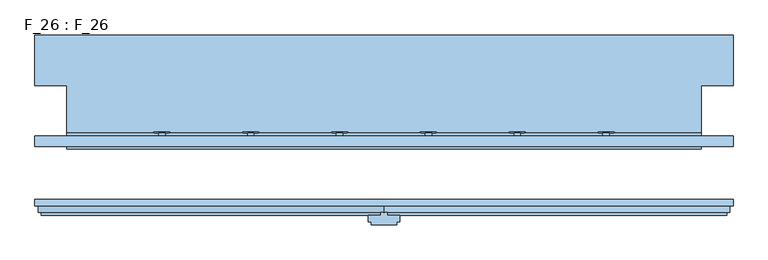
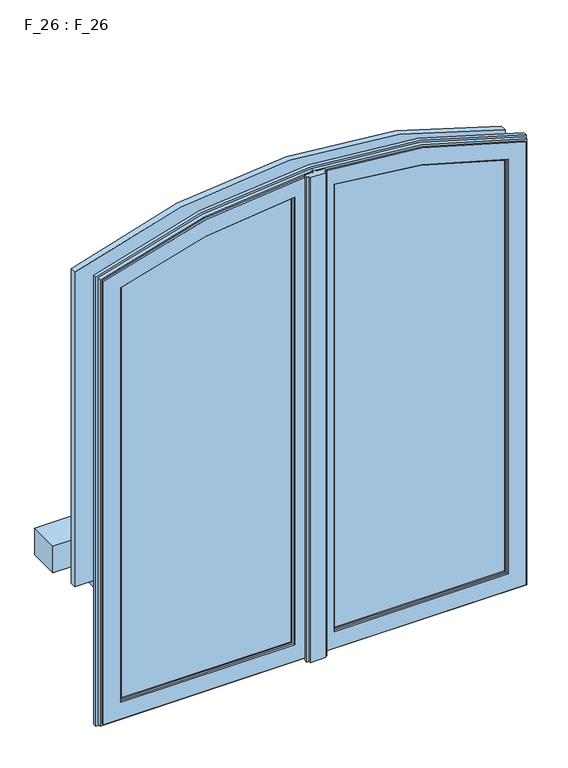
"""IFC4 building model written with IfcOpenShell, lengths in millimetres: window geometry, F_26 : F_26."""

from ifc_helpers import new_model, si_unit, point, frame, frame_2d, origin, place, context, project, spatial, polyline, circle_curve, trimmed, segment, composite_curve, outline, extrude, source, transform, mapped, element, save
from ifc_brep_helpers import plane_surface, cylinder_surface, revolved_surface, advanced_brep


def f_26_f_26_0ff524cd(model_context):
    return source(origin(), model_context, "Body", "SolidModel", [
        extrude(outline(composite_curve([segment(trimmed(circle_curve(frame_2d((742.432857, 0.0)), 1417.2222222), [point((2158.5874485, -55.0))], [point((2072.2519526, -490.0))], False, "CARTESIAN"), True, "CONTINUOUS"), segment(polyline([(2072.2519526, -490.0), (960.0, -490.0), (960.0, -55.0), (2158.5874485, -55.0)]), True, "CONTINUOUS")], self_intersect=False)), frame((0.0, 93.0, 0.0), z_axis=(0.0, 1.0, 0.0), x_axis=(0.0, 0.0, 1.0)), (0.0, 0.0, 1.0), 4.0),
        advanced_brep(
        [(-50.0, 100.0, 2163.7759012), (-50.0, 105.0, 2163.7759012), (-50.0, 105.0, 955.0), (-50.0, 100.0, 955.0), (-10.0, 105.0, 915.0), (-535.0, 105.0, 915.0), (-535.0, 105.0, 2103.266729), (-10.0, 105.0, 2204.6208843), (-495.0, 105.0, 2075.7336668), (-495.0, 105.0, 955.0), (-495.0, 100.0, 955.0), (-495.0, 100.0, 2075.7336668), (-55.0, 100.0, 2158.5874485), (-490.0, 100.0, 2072.2519526), (-490.0, 100.0, 960.0), (-55.0, 100.0, 960.0), (-55.0, 90.0, 2158.5874485), (-55.0, 90.0, 960.0), (-490.0, 90.0, 960.0), (-50.0, 90.0, 2163.7759012), (-495.0, 90.0, 2075.7336668), (-495.0, 90.0, 955.0), (-50.0, 90.0, 955.0), (-490.0, 90.0, 2072.2519526), (-50.0, 85.0, 2163.7759012), (-50.0, 85.0, 955.0), (-495.0, 85.0, 955.0), (-5.0, 85.0, 2209.6465597), (-540.0, 85.0, 2106.6692916), (-540.0, 85.0, 910.0), (-5.0, 85.0, 910.0), (-495.0, 85.0, 2075.7336668), (-5.0, 90.0, 2209.6465597), (-5.0, 90.0, 910.0), (-540.0, 90.0, 910.0), (0.0, 90.0, 2214.6550792), (-545.0, 90.0, 2110.0633888), (-545.0, 90.0, 905.0), (0.0, 90.0, 905.0), (-540.0, 90.0, 2106.6692916), (0.0, 100.0, 2214.6550792), (0.0, 100.0, 905.0), (-545.0, 100.0, 905.0), (-545.0, 100.0, 2110.0633888), (-10.0, 100.0, 2204.6208843), (-535.0, 100.0, 2103.266729), (-535.0, 100.0, 915.0), (-10.0, 100.0, 915.0)],
        [
            (0, 1),
            (1, 2),
            (2, 3),
            (3, 0),
            (4, 5),
            (5, 6),
            (6, 7, circle_curve(frame((0.0, 105.0, 742.432857), z_axis=(0.0, 1.0, 0.0), x_axis=(-0.3615149196633371, 0.0, 0.9323663243923018)), 1462.2222222)),
            (7, 4),
            (1, 8, circle_curve(frame((0.0, 105.0, 742.432857), z_axis=(0.0, -1.0, 0.0), x_axis=(-0.3615149196633371, 0.0, 0.9323663243923018)), 1422.2222222)),
            (8, 9),
            (9, 2),
            (9, 10),
            (10, 3),
            (10, 11),
            (11, 0, circle_curve(frame((0.0, 100.0, 742.432857), z_axis=(0.0, 1.0, 0.0), x_axis=(-0.3615149196633371, 0.0, 0.9323663243923018)), 1422.2222222)),
            (12, 13, circle_curve(frame((0.0, 100.0, 742.432857), z_axis=(0.0, -1.0, 0.0), x_axis=(-0.3615149196633371, 0.0, 0.9323663243923018)), 1417.2222222)),
            (13, 14),
            (14, 15),
            (15, 12),
            (16, 12),
            (15, 17),
            (17, 16),
            (14, 18),
            (18, 17),
            (19, 20, circle_curve(frame((0.0, 90.0, 742.432857), z_axis=(0.0, -1.0, 0.0), x_axis=(-0.3615149196633371, 0.0, 0.9323663243923018)), 1422.2222222)),
            (20, 21),
            (21, 22),
            (22, 19),
            (18, 23),
            (23, 16, circle_curve(frame((0.0, 90.0, 742.432857), z_axis=(0.0, 1.0, 0.0), x_axis=(-0.3615149196633371, 0.0, 0.9323663243923018)), 1417.2222222)),
            (24, 19),
            (22, 25),
            (25, 24),
            (21, 26),
            (26, 25),
            (27, 28, circle_curve(frame((0.0, 85.0, 742.432857), z_axis=(0.0, -1.0, 0.0), x_axis=(-0.3615149196633371, 0.0, 0.9323663243923018)), 1467.2222222)),
            (28, 29),
            (29, 30),
            (30, 27),
            (26, 31),
            (31, 24, circle_curve(frame((0.0, 85.0, 742.432857), z_axis=(0.0, 1.0, 0.0), x_axis=(-0.3615149196633371, 0.0, 0.9323663243923018)), 1422.2222222)),
            (32, 27),
            (30, 33),
            (33, 32),
            (29, 34),
            (34, 33),
            (35, 36, circle_curve(frame((0.0, 90.0, 742.432857), z_axis=(0.0, -1.0, 0.0), x_axis=(-0.3615149196633371, 0.0, 0.9323663243923018)), 1472.2222222)),
            (36, 37),
            (37, 38),
            (38, 35),
            (34, 39),
            (39, 32, circle_curve(frame((0.0, 90.0, 742.432857), z_axis=(0.0, 1.0, 0.0), x_axis=(-0.3615149196633371, 0.0, 0.9323663243923018)), 1467.2222222)),
            (40, 35),
            (38, 41),
            (41, 40),
            (37, 42),
            (42, 41),
            (42, 43),
            (43, 40, circle_curve(frame((0.0, 100.0, 742.432857), z_axis=(0.0, 1.0, 0.0), x_axis=(-0.3615149196633371, 0.0, 0.9323663243923018)), 1472.2222222)),
            (44, 45, circle_curve(frame((0.0, 100.0, 742.432857), z_axis=(0.0, -1.0, 0.0), x_axis=(-0.3615149196633371, 0.0, 0.9323663243923018)), 1462.2222222)),
            (45, 46),
            (46, 47),
            (47, 44),
            (7, 44),
            (47, 4),
            (46, 5),
            (8, 11),
            (13, 23),
            (20, 31),
            (28, 39),
            (36, 43),
            (45, 6),
        ],
        [
            plane_surface(frame((-50.0, 105.0, 2163.7759012), z_axis=(-1.0, 0.0, 0.0), x_axis=(0.0, 0.0, -1.0))),
            plane_surface(frame((0.0, 105.0, 742.432857), z_axis=(0.0, 1.0, 0.0), x_axis=(-0.3615149196633371, 0.0, 0.9323663243923018))),
            plane_surface(frame((-50.0, 105.0, 955.0), z_axis=(0.0, 0.0, 1.0), x_axis=(-1.0, 0.0, 0.0))),
            plane_surface(frame((0.0, 100.0, 742.432857), z_axis=(0.0, 1.0, 0.0), x_axis=(-0.3615149196633371, 0.0, 0.9323663243923018))),
            plane_surface(frame((-55.0, 100.0, 2158.5874485), z_axis=(-1.0, 0.0, 0.0), x_axis=(0.0, 0.0, -1.0))),
            plane_surface(frame((-55.0, 100.0, 960.0), z_axis=(0.0, 0.0, 1.0), x_axis=(-1.0, 0.0, 0.0))),
            plane_surface(frame((0.0, 90.0, 742.432857), z_axis=(0.0, -1.0, 0.0), x_axis=(-0.3615149196633371, 0.0, 0.9323663243923018))),
            plane_surface(frame((-50.0, 90.0, 2163.7759012), z_axis=(-1.0, 0.0, 0.0), x_axis=(0.0, 0.0, -1.0))),
            plane_surface(frame((-50.0, 90.0, 955.0), z_axis=(0.0, 0.0, 1.0), x_axis=(-1.0, 0.0, 0.0))),
            plane_surface(frame((0.0, 85.0, 742.432857), z_axis=(0.0, -1.0, 0.0), x_axis=(-0.3615149196633371, 0.0, 0.9323663243923018))),
            plane_surface(frame((-5.0, 85.0, 2209.6465597), z_axis=(1.0, 0.0, 0.0), x_axis=(0.0, 0.0, -1.0))),
            plane_surface(frame((-5.0, 85.0, 910.0), z_axis=(0.0, 0.0, -1.0), x_axis=(-1.0, 0.0, 0.0))),
            plane_surface(frame((0.0, 90.0, 2214.6550792), z_axis=(1.0, 0.0, 0.0), x_axis=(0.0, 0.0, -1.0))),
            plane_surface(frame((0.0, 90.0, 905.0), z_axis=(0.0, 0.0, -1.0), x_axis=(-1.0, 0.0, 0.0))),
            plane_surface(frame((-10.0, 100.0, 2204.6208843), z_axis=(1.0, 0.0, 0.0), x_axis=(0.0, 0.0, -1.0))),
            plane_surface(frame((-10.0, 100.0, 915.0), z_axis=(0.0, 0.0, -1.0), x_axis=(-1.0, 0.0, 0.0))),
            plane_surface(frame((-495.0, 105.0, 955.0), z_axis=(1.0, 0.0, 0.0), x_axis=(0.0, 0.0, 1.0))),
            plane_surface(frame((-490.0, 100.0, 960.0), z_axis=(1.0, 0.0, 0.0), x_axis=(0.0, 0.0, 1.0))),
            plane_surface(frame((-495.0, 90.0, 955.0), z_axis=(1.0, 0.0, 0.0), x_axis=(0.0, 0.0, 1.0))),
            plane_surface(frame((-540.0, 85.0, 910.0), z_axis=(-1.0, 0.0, 0.0), x_axis=(0.0, 0.0, 1.0))),
            plane_surface(frame((-545.0, 90.0, 905.0), z_axis=(-1.0, 0.0, 0.0), x_axis=(0.0, 0.0, 1.0))),
            plane_surface(frame((-535.0, 100.0, 915.0), z_axis=(-1.0, 0.0, 0.0), x_axis=(0.0, 0.0, 1.0))),
            cylinder_surface(frame((0.0, -100.0, 742.432857), z_axis=(0.0, 1.0, 0.0), x_axis=(-0.3615149196633371, 0.0, 0.9323663243923018)), 1462.2222222),
            cylinder_surface(frame((0.0, -100.0, 742.432857), z_axis=(0.0, 1.0, 0.0), x_axis=(-0.3615149196633371, 0.0, 0.9323663243923018)), 1472.2222222),
            cylinder_surface(frame((0.0, -100.0, 742.432857), z_axis=(0.0, 1.0, 0.0), x_axis=(-0.3615149196633371, 0.0, 0.9323663243923018)), 1467.2222222),
            revolved_surface(polyline([(-514.1545524020457, 90.0, 2068.4649627816657), (-514.1545524020457, 85.0, 2068.4649627816657)]), (0.0, -100.0, 742.432857), (0.0, 1.0, 0.0)),
            revolved_surface(polyline([(-512.346977803729, 100.0, 2063.803131159704), (-512.346977803729, 90.0, 2063.803131159704)]), (0.0, -100.0, 742.432857), (0.0, 1.0, 0.0)),
            revolved_surface(polyline([(-514.1545524020457, 105.0, 2068.4649627816657), (-514.1545524020457, 100.0, 2068.4649627816657)]), (0.0, -100.0, 742.432857), (0.0, 1.0, 0.0)),
        ],
        [
            (0, [[1, 2, 3, 4]]),
            (1, [[5, 6, 7, 8], [9, 10, 11, -2]]),
            (2, [[-3, -11, 12, 13]]),
            (3, [[-13, 14, 15, -4], [16, 17, 18, 19]]),
            (4, [[20, -19, 21, 22]]),
            (5, [[-21, -18, 23, 24]]),
            (6, [[25, 26, 27, 28], [-24, 29, 30, -22]]),
            (7, [[31, -28, 32, 33]]),
            (8, [[-32, -27, 34, 35]]),
            (9, [[36, 37, 38, 39], [-35, 40, 41, -33]]),
            (10, [[42, -39, 43, 44]]),
            (11, [[-43, -38, 45, 46]]),
            (6, [[47, 48, 49, 50], [-46, 51, 52, -44]]),
            (12, [[53, -50, 54, 55]]),
            (13, [[-54, -49, 56, 57]]),
            (3, [[-57, 58, 59, -55], [60, 61, 62, 63]]),
            (14, [[64, -63, 65, -8]]),
            (15, [[-65, -62, 66, -5]]),
            (16, [[-12, -10, 67, -14]]),
            (17, [[-23, -17, 68, -29]]),
            (18, [[-34, -26, 69, -40]]),
            (19, [[-45, -37, 70, -51]]),
            (20, [[-56, -48, 71, -58]]),
            (21, [[-66, -61, 72, -6]]),
            (22, [[-7, -72, -60, -64]]),
            (23, [[-59, -71, -47, -53]]),
            (24, [[-52, -70, -36, -42]]),
            (25, [[-41, -69, -25, -31]]),
            (26, [[-30, -68, -16, -20]]),
            (27, [[-15, -67, -9, -1]]),
        ],
    ),
        extrude(outline(composite_curve([segment(polyline([(2158.5874485, 55.0), (960.0, 55.0), (960.0, 490.0), (2072.2519526, 490.0)]), True, "CONTINUOUS"), segment(trimmed(circle_curve(frame_2d((742.432857, 0.0)), 1417.2222222), [point((2072.2519526, 490.0))], [point((2158.5874485, 55.0))], False, "CARTESIAN"), True, "CONTINUOUS")], self_intersect=False)), frame((0.0, 93.0, 0.0), z_axis=(0.0, 1.0, 0.0), x_axis=(0.0, 0.0, 1.0)), (0.0, 0.0, 1.0), 4.0),
        advanced_brep(
        [(50.0, 105.0, 2163.7759012), (50.0, 100.0, 2163.7759012), (50.0, 100.0, 955.0), (50.0, 105.0, 955.0), (495.0, 100.0, 2075.7336668), (495.0, 100.0, 955.0), (55.0, 100.0, 960.0), (490.0, 100.0, 960.0), (490.0, 100.0, 2072.2519526), (55.0, 100.0, 2158.5874485), (495.0, 105.0, 955.0), (10.0, 105.0, 2204.6208843), (535.0, 105.0, 2103.266729), (535.0, 105.0, 915.0), (10.0, 105.0, 915.0), (495.0, 105.0, 2075.7336668), (55.0, 90.0, 2158.5874485), (55.0, 90.0, 960.0), (50.0, 90.0, 955.0), (495.0, 90.0, 955.0), (495.0, 90.0, 2075.7336668), (50.0, 90.0, 2163.7759012), (490.0, 90.0, 2072.2519526), (490.0, 90.0, 960.0), (50.0, 85.0, 2163.7759012), (50.0, 85.0, 955.0), (5.0, 85.0, 910.0), (540.0, 85.0, 910.0), (540.0, 85.0, 2106.6692916), (5.0, 85.0, 2209.6465597), (495.0, 85.0, 2075.7336668), (495.0, 85.0, 955.0), (5.0, 90.0, 2209.6465597), (5.0, 90.0, 910.0), (0.0, 90.0, 905.0), (545.0, 90.0, 905.0), (545.0, 90.0, 2110.0633888), (0.0, 90.0, 2214.6550792), (540.0, 90.0, 2106.6692916), (540.0, 90.0, 910.0), (0.0, 100.0, 2214.6550792), (0.0, 100.0, 905.0), (545.0, 100.0, 2110.0633888), (545.0, 100.0, 905.0), (10.0, 100.0, 915.0), (535.0, 100.0, 915.0), (535.0, 100.0, 2103.266729), (10.0, 100.0, 2204.6208843)],
        [
            (0, 1),
            (1, 2),
            (2, 3),
            (3, 0),
            (1, 4, circle_curve(frame((0.0, 100.0, 742.432857), z_axis=(0.0, 1.0, 0.0), x_axis=(0.3615149196633371, 0.0, 0.9323663243923018)), 1422.2222222)),
            (4, 5),
            (5, 2),
            (6, 7),
            (7, 8),
            (8, 9, circle_curve(frame((0.0, 100.0, 742.432857), z_axis=(0.0, -1.0, 0.0), x_axis=(0.3615149196633371, 0.0, 0.9323663243923018)), 1417.2222222)),
            (9, 6),
            (5, 10),
            (10, 3),
            (11, 12, circle_curve(frame((0.0, 105.0, 742.432857), z_axis=(0.0, 1.0, 0.0), x_axis=(0.3615149196633371, 0.0, 0.9323663243923018)), 1462.2222222)),
            (12, 13),
            (13, 14),
            (14, 11),
            (10, 15),
            (15, 0, circle_curve(frame((0.0, 105.0, 742.432857), z_axis=(0.0, -1.0, 0.0), x_axis=(0.3615149196633371, 0.0, 0.9323663243923018)), 1422.2222222)),
            (9, 16),
            (16, 17),
            (17, 6),
            (18, 19),
            (19, 20),
            (20, 21, circle_curve(frame((0.0, 90.0, 742.432857), z_axis=(0.0, -1.0, 0.0), x_axis=(0.3615149196633371, 0.0, 0.9323663243923018)), 1422.2222222)),
            (21, 18),
            (16, 22, circle_curve(frame((0.0, 90.0, 742.432857), z_axis=(0.0, 1.0, 0.0), x_axis=(0.3615149196633371, 0.0, 0.9323663243923018)), 1417.2222222)),
            (22, 23),
            (23, 17),
            (23, 7),
            (21, 24),
            (24, 25),
            (25, 18),
            (26, 27),
            (27, 28),
            (28, 29, circle_curve(frame((0.0, 85.0, 742.432857), z_axis=(0.0, -1.0, 0.0), x_axis=(0.3615149196633371, 0.0, 0.9323663243923018)), 1467.2222222)),
            (29, 26),
            (24, 30, circle_curve(frame((0.0, 85.0, 742.432857), z_axis=(0.0, 1.0, 0.0), x_axis=(0.3615149196633371, 0.0, 0.9323663243923018)), 1422.2222222)),
            (30, 31),
            (31, 25),
            (31, 19),
            (29, 32),
            (32, 33),
            (33, 26),
            (34, 35),
            (35, 36),
            (36, 37, circle_curve(frame((0.0, 90.0, 742.432857), z_axis=(0.0, -1.0, 0.0), x_axis=(0.3615149196633371, 0.0, 0.9323663243923018)), 1472.2222222)),
            (37, 34),
            (32, 38, circle_curve(frame((0.0, 90.0, 742.432857), z_axis=(0.0, 1.0, 0.0), x_axis=(0.3615149196633371, 0.0, 0.9323663243923018)), 1467.2222222)),
            (38, 39),
            (39, 33),
            (39, 27),
            (37, 40),
            (40, 41),
            (41, 34),
            (40, 42, circle_curve(frame((0.0, 100.0, 742.432857), z_axis=(0.0, 1.0, 0.0), x_axis=(0.3615149196633371, 0.0, 0.9323663243923018)), 1472.2222222)),
            (42, 43),
            (43, 41),
            (44, 45),
            (45, 46),
            (46, 47, circle_curve(frame((0.0, 100.0, 742.432857), z_axis=(0.0, -1.0, 0.0), x_axis=(0.3615149196633371, 0.0, 0.9323663243923018)), 1462.2222222)),
            (47, 44),
            (43, 35),
            (47, 11),
            (14, 44),
            (13, 45),
            (4, 15),
            (22, 8),
            (30, 20),
            (38, 28),
            (42, 36),
            (12, 46),
        ],
        [
            plane_surface(frame((50.0, 100.0, 2163.7759012), z_axis=(1.0, 0.0, 0.0), x_axis=(0.0, 0.0, -1.0))),
            plane_surface(frame((0.0, 100.0, 742.432857), z_axis=(0.0, 1.0, 0.0), x_axis=(0.3615149196633371, 0.0, 0.9323663243923018))),
            plane_surface(frame((50.0, 100.0, 955.0), z_axis=(0.0, 0.0, 1.0), x_axis=(1.0, 0.0, 0.0))),
            plane_surface(frame((0.0, 105.0, 742.432857), z_axis=(0.0, 1.0, 0.0), x_axis=(0.3615149196633371, 0.0, 0.9323663243923018))),
            plane_surface(frame((55.0, 90.0, 2158.5874485), z_axis=(1.0, 0.0, 0.0), x_axis=(0.0, 0.0, -1.0))),
            plane_surface(frame((0.0, 90.0, 742.432857), z_axis=(0.0, -1.0, 0.0), x_axis=(0.3615149196633371, 0.0, 0.9323663243923018))),
            plane_surface(frame((55.0, 90.0, 960.0), z_axis=(0.0, 0.0, 1.0), x_axis=(1.0, 0.0, 0.0))),
            plane_surface(frame((50.0, 85.0, 2163.7759012), z_axis=(1.0, 0.0, 0.0), x_axis=(0.0, 0.0, -1.0))),
            plane_surface(frame((0.0, 85.0, 742.432857), z_axis=(0.0, -1.0, 0.0), x_axis=(0.3615149196633371, 0.0, 0.9323663243923018))),
            plane_surface(frame((50.0, 85.0, 955.0), z_axis=(0.0, 0.0, 1.0), x_axis=(1.0, 0.0, 0.0))),
            plane_surface(frame((5.0, 90.0, 2209.6465597), z_axis=(-1.0, 0.0, 0.0), x_axis=(0.0, 0.0, -1.0))),
            plane_surface(frame((5.0, 90.0, 910.0), z_axis=(0.0, 0.0, -1.0), x_axis=(1.0, 0.0, 0.0))),
            plane_surface(frame((0.0, 100.0, 2214.6550792), z_axis=(-1.0, 0.0, 0.0), x_axis=(0.0, 0.0, -1.0))),
            plane_surface(frame((0.0, 100.0, 905.0), z_axis=(0.0, 0.0, -1.0), x_axis=(1.0, 0.0, 0.0))),
            plane_surface(frame((10.0, 105.0, 2204.6208843), z_axis=(-1.0, 0.0, 0.0), x_axis=(0.0, 0.0, -1.0))),
            plane_surface(frame((10.0, 105.0, 915.0), z_axis=(0.0, 0.0, -1.0), x_axis=(1.0, 0.0, 0.0))),
            plane_surface(frame((495.0, 100.0, 955.0), z_axis=(-1.0, 0.0, 0.0), x_axis=(0.0, 0.0, 1.0))),
            plane_surface(frame((490.0, 90.0, 960.0), z_axis=(-1.0, 0.0, 0.0), x_axis=(0.0, 0.0, 1.0))),
            plane_surface(frame((495.0, 85.0, 955.0), z_axis=(-1.0, 0.0, 0.0), x_axis=(0.0, 0.0, 1.0))),
            plane_surface(frame((540.0, 90.0, 910.0), z_axis=(1.0, 0.0, 0.0), x_axis=(0.0, 0.0, 1.0))),
            plane_surface(frame((545.0, 100.0, 905.0), z_axis=(1.0, 0.0, 0.0), x_axis=(0.0, 0.0, 1.0))),
            plane_surface(frame((535.0, 105.0, 915.0), z_axis=(1.0, 0.0, 0.0), x_axis=(0.0, 0.0, 1.0))),
            cylinder_surface(frame((0.0, -100.0, 742.432857), z_axis=(0.0, -1.0, 0.0), x_axis=(0.3615149196633371, 0.0, 0.9323663243923018)), 1462.2222222),
            cylinder_surface(frame((0.0, -100.0, 742.432857), z_axis=(0.0, -1.0, 0.0), x_axis=(0.3615149196633371, 0.0, 0.9323663243923018)), 1472.2222222),
            cylinder_surface(frame((0.0, -100.0, 742.432857), z_axis=(0.0, -1.0, 0.0), x_axis=(0.3615149196633371, 0.0, 0.9323663243923018)), 1467.2222222),
            revolved_surface(polyline([(514.1545524020457, 85.0, 2068.4649627816657), (514.1545524020457, 90.0, 2068.4649627816657)]), (0.0, -100.0, 742.432857), (0.0, -1.0, 0.0)),
            revolved_surface(polyline([(512.346977803729, 90.0, 2063.803131159704), (512.346977803729, 100.0, 2063.803131159704)]), (0.0, -100.0, 742.432857), (0.0, -1.0, 0.0)),
            revolved_surface(polyline([(514.1545524020457, 100.0, 2068.4649627816657), (514.1545524020457, 105.0, 2068.4649627816657)]), (0.0, -100.0, 742.432857), (0.0, -1.0, 0.0)),
        ],
        [
            (0, [[1, 2, 3, 4]]),
            (1, [[5, 6, 7, -2], [8, 9, 10, 11]]),
            (2, [[-3, -7, 12, 13]]),
            (3, [[14, 15, 16, 17], [-13, 18, 19, -4]]),
            (4, [[20, 21, 22, -11]]),
            (5, [[23, 24, 25, 26], [27, 28, 29, -21]]),
            (6, [[-22, -29, 30, -8]]),
            (7, [[31, 32, 33, -26]]),
            (8, [[34, 35, 36, 37], [38, 39, 40, -32]]),
            (9, [[-33, -40, 41, -23]]),
            (10, [[42, 43, 44, -37]]),
            (5, [[45, 46, 47, 48], [49, 50, 51, -43]]),
            (11, [[-44, -51, 52, -34]]),
            (12, [[53, 54, 55, -48]]),
            (1, [[56, 57, 58, -54], [59, 60, 61, 62]]),
            (13, [[-55, -58, 63, -45]]),
            (14, [[64, -17, 65, -62]]),
            (15, [[-65, -16, 66, -59]]),
            (16, [[-12, -6, 67, -18]]),
            (17, [[-30, -28, 68, -9]]),
            (18, [[-41, -39, 69, -24]]),
            (19, [[-52, -50, 70, -35]]),
            (20, [[-63, -57, 71, -46]]),
            (21, [[-66, -15, 72, -60]]),
            (22, [[-61, -72, -14, -64]]),
            (23, [[-47, -71, -56, -53]]),
            (24, [[-36, -70, -49, -42]]),
            (25, [[-25, -69, -38, -31]]),
            (26, [[-10, -68, -27, -20]]),
            (27, [[-19, -67, -5, -1]]),
        ],
    ),
        advanced_brep(
        [(-535.0, 105.0, 915.0), (-535.0, 100.0, 915.0), (535.0, 100.0, 915.0), (535.0, 105.0, 915.0), (535.0, 100.0, 2103.266729), (535.0, 105.0, 2103.266729), (-550.0, 100.0, 2113.4490837), (-550.0, 100.0, 900.0), (550.0, 100.0, 900.0), (550.0, 100.0, 2113.4490837), (-535.0, 100.0, 2103.266729), (-535.0, 105.0, 2103.266729), (-530.0, 105.0, 2099.8556375), (530.0, 105.0, 2099.8556375), (530.0, 105.0, 920.0), (-530.0, 105.0, 920.0), (-530.0, 110.0, 920.0), (530.0, 110.0, 920.0), (530.0, 110.0, 2099.8556375), (-550.0, 110.0, 2113.4490837), (550.0, 110.0, 2113.4490837), (550.0, 110.0, 900.0), (-550.0, 110.0, 900.0), (-530.0, 110.0, 2099.8556375)],
        [
            (0, 1),
            (1, 2),
            (2, 3),
            (3, 0),
            (2, 4),
            (4, 5),
            (5, 3),
            (6, 7),
            (7, 8),
            (8, 9),
            (9, 6, circle_curve(frame((0.0, 100.0, 742.432857), z_axis=(0.0, -1.0, 0.0), x_axis=(0.37232042121096776, 0.0, 0.9281042527374215)), 1477.2222222)),
            (10, 4, circle_curve(frame((0.0, 100.0, 742.432857), z_axis=(0.0, 1.0, 0.0), x_axis=(0.37232042121096776, 0.0, 0.9281042527374215)), 1462.2222222)),
            (1, 10),
            (11, 0),
            (5, 11, circle_curve(frame((0.0, 105.0, 742.432857), z_axis=(0.0, -1.0, 0.0), x_axis=(0.37232042121096776, 0.0, 0.9281042527374215)), 1462.2222222)),
            (12, 13, circle_curve(frame((0.0, 105.0, 742.432857), z_axis=(0.0, 1.0, 0.0), x_axis=(0.37232042121096776, 0.0, 0.9281042527374215)), 1457.2222222)),
            (13, 14),
            (14, 15),
            (15, 12),
            (16, 15),
            (14, 17),
            (17, 16),
            (13, 18),
            (18, 17),
            (19, 20, circle_curve(frame((0.0, 110.0, 742.432857), z_axis=(0.0, 1.0, 0.0), x_axis=(0.37232042121096776, 0.0, 0.9281042527374215)), 1477.2222222)),
            (20, 21),
            (21, 22),
            (22, 19),
            (23, 16),
            (18, 23, circle_curve(frame((0.0, 110.0, 742.432857), z_axis=(0.0, -1.0, 0.0), x_axis=(0.37232042121096776, 0.0, 0.9281042527374215)), 1457.2222222)),
            (7, 22),
            (21, 8),
            (20, 9),
            (11, 10),
            (23, 12),
            (6, 19),
        ],
        [
            plane_surface(frame((-535.0, 100.0, 915.0), z_axis=(0.0, 0.0, 1.0), x_axis=(1.0, 0.0, 0.0))),
            plane_surface(frame((535.0, 100.0, 915.0), z_axis=(-1.0, 0.0, 0.0), x_axis=(0.0, 0.0, 1.0))),
            plane_surface(frame((0.0, 100.0, 742.432857), z_axis=(0.0, -1.0000000000000002, 0.0), x_axis=(0.3723204212109678, 0.0, 0.9281042527374216))),
            plane_surface(frame((0.0, 105.0, 742.432857), z_axis=(0.0, -1.0000000000000002, 0.0), x_axis=(0.3723204212109678, 0.0, 0.9281042527374216))),
            plane_surface(frame((-530.0, 105.0, 920.0), z_axis=(0.0, 0.0, 1.0), x_axis=(1.0, 0.0, 0.0))),
            plane_surface(frame((530.0, 105.0, 920.0), z_axis=(-1.0, 0.0, 0.0), x_axis=(0.0, 0.0, 1.0))),
            plane_surface(frame((0.0, 110.0, 742.432857), z_axis=(0.0, 1.0000000000000002, 0.0), x_axis=(0.3723204212109678, 0.0, 0.9281042527374216))),
            plane_surface(frame((-550.0, 110.0, 900.0), z_axis=(0.0, 0.0, -1.0), x_axis=(1.0, 0.0, 0.0))),
            plane_surface(frame((550.0, 110.0, 900.0), z_axis=(1.0, 0.0, 0.0), x_axis=(0.0, 0.0, 1.0))),
            plane_surface(frame((-535.0, 100.0, 2103.266729), z_axis=(1.0, 0.0, 0.0), x_axis=(0.0, 0.0, -1.0))),
            plane_surface(frame((-530.0, 105.0, 2099.8556375), z_axis=(1.0, 0.0, 0.0), x_axis=(0.0, 0.0, -1.0))),
            plane_surface(frame((-550.0, 110.0, 2113.4490837), z_axis=(-1.0, 0.0, 0.0), x_axis=(0.0, 0.0, -1.0))),
            revolved_surface(polyline([(544.4151936735414, 100.0, 2099.527519870983), (544.4151936735414, 105.0, 2099.527519870983)]), (0.0, 100.0, 742.432857), (0.0, -1.0, 0.0)),
            revolved_surface(polyline([(542.5535915674865, 105.0, 2094.886998607296), (542.5535915674865, 110.0, 2094.886998607296)]), (0.0, 100.0, 742.432857), (0.0, -1.0, 0.0)),
            cylinder_surface(frame((0.0, 100.0, 742.432857), z_axis=(0.0, -1.0, 0.0), x_axis=(0.37232042121096776, 0.0, 0.9281042527374215)), 1477.2222222),
        ],
        [
            (0, [[1, 2, 3, 4]]),
            (1, [[-3, 5, 6, 7]]),
            (2, [[8, 9, 10, 11], [12, -5, -2, 13]]),
            (3, [[14, -4, -7, 15], [16, 17, 18, 19]]),
            (4, [[20, -18, 21, 22]]),
            (5, [[-21, -17, 23, 24]]),
            (6, [[25, 26, 27, 28], [29, -22, -24, 30]]),
            (7, [[31, -27, 32, -9]]),
            (8, [[-32, -26, 33, -10]]),
            (9, [[34, -13, -1, -14]]),
            (10, [[35, -19, -20, -29]]),
            (11, [[36, -28, -31, -8]]),
            (12, [[-15, -6, -12, -34]]),
            (13, [[-30, -23, -16, -35]]),
            (14, [[-11, -33, -25, -36]]),
        ],
    ),
        extrude(outline(polyline([(5.0, 90.0), (5.0, 85.0), (25.0, 85.0), (25.0, 75.0), (20.0, 75.0), (20.0, 70.0), (-20.0, 70.0), (-20.0, 75.0), (-25.0, 75.0), (-25.0, 85.0), (-5.0, 85.0), (-5.0, 90.0), (5.0, 90.0)])), frame((0.0, 0.0, 905.0), z_axis=(0.0, 0.0, 1.0), x_axis=(1.0, 0.0, 0.0)), (0.0, 0.0, 1.0), 1310.0),
        extrude(outline(composite_curve([segment(trimmed(circle_curve(frame_2d((742.432857, 0.0)), 1387.2222222), [point((2036.4133413, 500.0))], [point((2036.4133413, -500.0))], False, "CARTESIAN"), True, "CONTINUOUS"), segment(polyline([(2036.4133413, -500.0), (1271.0, -500.0), (1271.0, 500.0), (2036.4133413, 500.0)]), True, "CONTINUOUS")], self_intersect=False)), frame((0.0, 200.0, 0.0), z_axis=(0.0, 1.0, 0.0), x_axis=(0.0, 0.0, 1.0)), (0.0, 0.0, 1.0), 4.0),
        extrude(outline(composite_curve([segment(trimmed(circle_curve(frame_2d((1441.0, 350.0)), 12.5), [point((1441.0, 337.5))], [point((1441.0, 362.5))], False, "CARTESIAN"), True, "CONTINUOUS"), segment(trimmed(circle_curve(frame_2d((1441.0, 350.0)), 12.5), [point((1441.0, 362.5))], [point((1441.0, 337.5))], False, "CARTESIAN"), True, "CONTINUOUS")], self_intersect=False)), frame((0.0, 215.0, 0.0), z_axis=(0.0, 1.0, 0.0), x_axis=(0.0, 0.0, 1.0)), (0.0, 0.0, 1.0), 2.0),
        extrude(outline(composite_curve([segment(trimmed(circle_curve(frame_2d((1441.0, 210.0)), 12.5), [point((1441.0, 197.5))], [point((1441.0, 222.5))], False, "CARTESIAN"), True, "CONTINUOUS"), segment(trimmed(circle_curve(frame_2d((1441.0, 210.0)), 12.5), [point((1441.0, 222.5))], [point((1441.0, 197.5))], False, "CARTESIAN"), True, "CONTINUOUS")], self_intersect=False)), frame((0.0, 215.0, 0.0), z_axis=(0.0, 1.0, 0.0), x_axis=(0.0, 0.0, 1.0)), (0.0, 0.0, 1.0), 2.0),
        extrude(outline(composite_curve([segment(trimmed(circle_curve(frame_2d((1441.0, 70.0)), 12.5), [point((1441.0, 57.5))], [point((1441.0, 82.5))], False, "CARTESIAN"), True, "CONTINUOUS"), segment(trimmed(circle_curve(frame_2d((1441.0, 70.0)), 12.5), [point((1441.0, 82.5))], [point((1441.0, 57.5))], False, "CARTESIAN"), True, "CONTINUOUS")], self_intersect=False)), frame((0.0, 215.0, 0.0), z_axis=(0.0, 1.0, 0.0), x_axis=(0.0, 0.0, 1.0)), (0.0, 0.0, 1.0), 2.0),
        extrude(outline(composite_curve([segment(trimmed(circle_curve(frame_2d((1441.0, -70.0)), 12.5), [point((1441.0, -82.5))], [point((1441.0, -57.5))], False, "CARTESIAN"), True, "CONTINUOUS"), segment(trimmed(circle_curve(frame_2d((1441.0, -70.0)), 12.5), [point((1441.0, -57.5))], [point((1441.0, -82.5))], False, "CARTESIAN"), True, "CONTINUOUS")], self_intersect=False)), frame((0.0, 215.0, 0.0), z_axis=(0.0, 1.0, 0.0), x_axis=(0.0, 0.0, 1.0)), (0.0, 0.0, 1.0), 2.0),
        extrude(outline(composite_curve([segment(trimmed(circle_curve(frame_2d((1441.0, -210.0)), 12.5), [point((1441.0, -222.5))], [point((1441.0, -197.5))], False, "CARTESIAN"), True, "CONTINUOUS"), segment(trimmed(circle_curve(frame_2d((1441.0, -210.0)), 12.5), [point((1441.0, -197.5))], [point((1441.0, -222.5))], False, "CARTESIAN"), True, "CONTINUOUS")], self_intersect=False)), frame((0.0, 215.0, 0.0), z_axis=(0.0, 1.0, 0.0), x_axis=(0.0, 0.0, 1.0)), (0.0, 0.0, 1.0), 2.0),
        extrude(outline(composite_curve([segment(trimmed(circle_curve(frame_2d((1441.0, -350.0)), 12.5), [point((1441.0, -362.5))], [point((1441.0, -337.5))], False, "CARTESIAN"), True, "CONTINUOUS"), segment(trimmed(circle_curve(frame_2d((1441.0, -350.0)), 12.5), [point((1441.0, -337.5))], [point((1441.0, -362.5))], False, "CARTESIAN"), True, "CONTINUOUS")], self_intersect=False)), frame((0.0, 215.0, 0.0), z_axis=(0.0, 1.0, 0.0), x_axis=(0.0, 0.0, 1.0)), (0.0, 0.0, 1.0), 2.0),
        extrude(outline(composite_curve([segment(trimmed(circle_curve(frame_2d((1601.0, 350.0)), 12.5), [point((1601.0, 337.5))], [point((1601.0, 362.5))], False, "CARTESIAN"), True, "CONTINUOUS"), segment(trimmed(circle_curve(frame_2d((1601.0, 350.0)), 12.5), [point((1601.0, 362.5))], [point((1601.0, 337.5))], False, "CARTESIAN"), True, "CONTINUOUS")], self_intersect=False)), frame((0.0, 215.0, 0.0), z_axis=(0.0, 1.0, 0.0), x_axis=(0.0, 0.0, 1.0)), (0.0, 0.0, 1.0), 2.0),
        extrude(outline(composite_curve([segment(trimmed(circle_curve(frame_2d((1601.0, 210.0)), 12.5), [point((1601.0, 197.5))], [point((1601.0, 222.5))], False, "CARTESIAN"), True, "CONTINUOUS"), segment(trimmed(circle_curve(frame_2d((1601.0, 210.0)), 12.5), [point((1601.0, 222.5))], [point((1601.0, 197.5))], False, "CARTESIAN"), True, "CONTINUOUS")], self_intersect=False)), frame((0.0, 215.0, 0.0), z_axis=(0.0, 1.0, 0.0), x_axis=(0.0, 0.0, 1.0)), (0.0, 0.0, 1.0), 2.0),
        extrude(outline(composite_curve([segment(trimmed(circle_curve(frame_2d((1601.0, 70.0)), 12.5), [point((1601.0, 57.5))], [point((1601.0, 82.5))], False, "CARTESIAN"), True, "CONTINUOUS"), segment(trimmed(circle_curve(frame_2d((1601.0, 70.0)), 12.5), [point((1601.0, 82.5))], [point((1601.0, 57.5))], False, "CARTESIAN"), True, "CONTINUOUS")], self_intersect=False)), frame((0.0, 215.0, 0.0), z_axis=(0.0, 1.0, 0.0), x_axis=(0.0, 0.0, 1.0)), (0.0, 0.0, 1.0), 2.0),
        extrude(outline(composite_curve([segment(trimmed(circle_curve(frame_2d((1601.0, -70.0)), 12.5), [point((1601.0, -82.5))], [point((1601.0, -57.5))], False, "CARTESIAN"), True, "CONTINUOUS"), segment(trimmed(circle_curve(frame_2d((1601.0, -70.0)), 12.5), [point((1601.0, -57.5))], [point((1601.0, -82.5))], False, "CARTESIAN"), True, "CONTINUOUS")], self_intersect=False)), frame((0.0, 215.0, 0.0), z_axis=(0.0, 1.0, 0.0), x_axis=(0.0, 0.0, 1.0)), (0.0, 0.0, 1.0), 2.0),
        extrude(outline(composite_curve([segment(trimmed(circle_curve(frame_2d((1601.0, -210.0)), 12.5), [point((1601.0, -222.5))], [point((1601.0, -197.5))], False, "CARTESIAN"), True, "CONTINUOUS"), segment(trimmed(circle_curve(frame_2d((1601.0, -210.0)), 12.5), [point((1601.0, -197.5))], [point((1601.0, -222.5))], False, "CARTESIAN"), True, "CONTINUOUS")], self_intersect=False)), frame((0.0, 215.0, 0.0), z_axis=(0.0, 1.0, 0.0), x_axis=(0.0, 0.0, 1.0)), (0.0, 0.0, 1.0), 2.0),
        extrude(outline(composite_curve([segment(trimmed(circle_curve(frame_2d((1601.0, -350.0)), 12.5), [point((1601.0, -362.5))], [point((1601.0, -337.5))], False, "CARTESIAN"), True, "CONTINUOUS"), segment(trimmed(circle_curve(frame_2d((1601.0, -350.0)), 12.5), [point((1601.0, -337.5))], [point((1601.0, -362.5))], False, "CARTESIAN"), True, "CONTINUOUS")], self_intersect=False)), frame((0.0, 215.0, 0.0), z_axis=(0.0, 1.0, 0.0), x_axis=(0.0, 0.0, 1.0)), (0.0, 0.0, 1.0), 2.0),
        extrude(outline(composite_curve([segment(polyline([(1606.0, 65.0), (1606.0, -65.0), (2127.1303147, -65.0)]), True, "CONTINUOUS"), segment(trimmed(circle_curve(frame_2d((742.432857, 0.0)), 1386.2222222), [point((2127.1303147, -65.0))], [point((2126.6246968, -75.0))], False, "CARTESIAN"), True, "CONTINUOUS"), segment(polyline([(2126.6246968, -75.0), (1606.0, -75.0), (1606.0, -205.0), (2113.4131812, -205.0)]), True, "CONTINUOUS"), segment(trimmed(circle_curve(frame_2d((742.432857, 0.0)), 1386.2222222), [point((2113.4131812, -205.0))], [point((2111.8805739, -215.0))], False, "CARTESIAN"), True, "CONTINUOUS"), segment(polyline([(2111.8805739, -215.0), (1606.0, -215.0), (1606.0, -345.0), (2085.0374337, -345.0)]), True, "CONTINUOUS"), segment(trimmed(circle_curve(frame_2d((742.432857, 0.0)), 1386.2222222), [point((2085.0374337, -345.0))], [point((2082.4280247, -355.0))], False, "CARTESIAN"), True, "CONTINUOUS"), segment(polyline([(2082.4280247, -355.0), (1606.0, -355.0), (1606.0, -500.0), (1596.0, -500.0), (1596.0, -355.0), (1446.0, -355.0), (1446.0, -500.0), (1436.0, -500.0), (1436.0, -355.0), (1271.0, -355.0), (1271.0, -345.0), (1436.0, -345.0), (1436.0, -215.0), (1271.0, -215.0), (1271.0, -205.0), (1436.0, -205.0), (1436.0, -75.0), (1271.0, -75.0), (1271.0, -65.0), (1436.0, -65.0), (1436.0, 65.0), (1271.0, 65.0), (1271.0, 75.0), (1436.0, 75.0), (1436.0, 205.0), (1271.0, 205.0), (1271.0, 215.0), (1436.0, 215.0), (1436.0, 345.0), (1271.0, 345.0), (1271.0, 355.0), (1436.0, 355.0), (1436.0, 500.0), (1446.0, 500.0), (1446.0, 355.0), (1596.0, 355.0), (1596.0, 500.0), (1606.0, 500.0), (1606.0, 355.0), (2082.4280247, 355.0)]), True, "CONTINUOUS"), segment(trimmed(circle_curve(frame_2d((742.432857, 0.0)), 1386.2222222), [point((2082.4280247, 355.0))], [point((2085.0374337, 345.0))], False, "CARTESIAN"), True, "CONTINUOUS"), segment(polyline([(2085.0374337, 345.0), (1606.0, 345.0), (1606.0, 215.0), (2111.8805739, 215.0)]), True, "CONTINUOUS"), segment(trimmed(circle_curve(frame_2d((742.432857, 0.0)), 1386.2222222), [point((2111.8805739, 215.0))], [point((2113.4131812, 205.0))], False, "CARTESIAN"), True, "CONTINUOUS"), segment(polyline([(2113.4131812, 205.0), (1606.0, 205.0), (1606.0, 75.0), (2126.6246968, 75.0)]), True, "CONTINUOUS"), segment(trimmed(circle_curve(frame_2d((742.432857, 0.0)), 1386.2222222), [point((2126.6246968, 75.0))], [point((2127.1303147, 65.0))], False, "CARTESIAN"), True, "CONTINUOUS"), segment(polyline([(2127.1303147, 65.0), (1606.0, 65.0)]), True, "CONTINUOUS")], self_intersect=False), holes=[polyline([(1446.0, 345.0), (1446.0, 215.0), (1596.0, 215.0), (1596.0, 345.0), (1446.0, 345.0)]), polyline([(1446.0, 205.0), (1446.0, 75.0), (1596.0, 75.0), (1596.0, 205.0), (1446.0, 205.0)]), polyline([(1446.0, 65.0), (1446.0, -65.0), (1596.0, -65.0), (1596.0, 65.0), (1446.0, 65.0)]), polyline([(1596.0, -75.0), (1446.0, -75.0), (1446.0, -205.0), (1596.0, -205.0), (1596.0, -75.0)]), polyline([(1446.0, -215.0), (1446.0, -345.0), (1596.0, -345.0), (1596.0, -215.0), (1446.0, -215.0)])]), frame((0.0, 210.0, 0.0), z_axis=(0.0, 1.0, 0.0), x_axis=(0.0, 0.0, 1.0)), (0.0, 0.0, 1.0), 5.0),
        extrude(outline(composite_curve([segment(polyline([(2070.2535211, -550.0), (1220.0, -550.0), (1220.0, 550.0), (2070.2535211, 550.0)]), True, "CONTINUOUS"), segment(trimmed(circle_curve(frame_2d((742.432857, 0.0)), 1437.2222222), [point((2070.2535211, 550.0))], [point((2070.2535211, -550.0))], False, "CARTESIAN"), True, "CONTINUOUS")], self_intersect=False), holes=[composite_curve([segment(trimmed(circle_curve(frame_2d((742.432857, 0.0)), 1387.2222222), [point((2036.4133413, -500.0))], [point((2036.4133413, 500.0))], True, "CARTESIAN"), True, "CONTINUOUS"), segment(polyline([(2036.4133413, 500.0), (1271.0, 500.0), (1271.0, -500.0), (2036.4133413, -500.0)]), True, "CONTINUOUS")], self_intersect=False)]), frame((0.0, 194.0, 0.0), z_axis=(0.0, 1.0, 0.0), x_axis=(0.0, 0.0, 1.0)), (0.0, 0.0, 1.0), 16.0),
        extrude(outline(polyline([(500.0, 190.0), (-500.0, 190.0), (-500.0, 290.0), (-550.0, 290.0), (-550.0, 370.0), (550.0, 370.0), (550.0, 290.0), (500.0, 290.0), (500.0, 190.0)])), frame((0.0, 0.0, 1200.0), z_axis=(0.0, 0.0, 1.0), x_axis=(1.0, 0.0, 0.0)), (0.0, 0.0, 1.0), 71.0),
    ])


if __name__ == "__main__":
    model = new_model("IFC4")
    model_context = context("Model", 3, world=origin())
    ifc_project = project(units=[si_unit("LENGTHUNIT", "METRE", prefix="MILLI")], contexts=[model_context])
    site = spatial("IfcSite", under=ifc_project)
    building = spatial("IfcBuilding", under=site)
    placement = place(None, origin())
    f_26_f_26_shape = f_26_f_26_0ff524cd(model_context)
    element("IfcWindow", 1, ObjectType="F_26 : F_26", at=placement, inside=building, context=model_context, shape_type="MappedRepresentation", body=[
        mapped(f_26_f_26_shape, transform((0.0, 0.0, 0.0), x_axis=(1.0, 0.0, 0.0), y_axis=(0.0, 1.0, 0.0), z_axis=(0.0, 0.0, 1.0))),
    ])
    save(model, "model.ifc")
